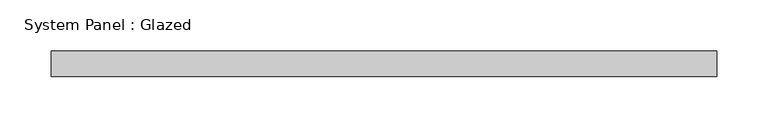
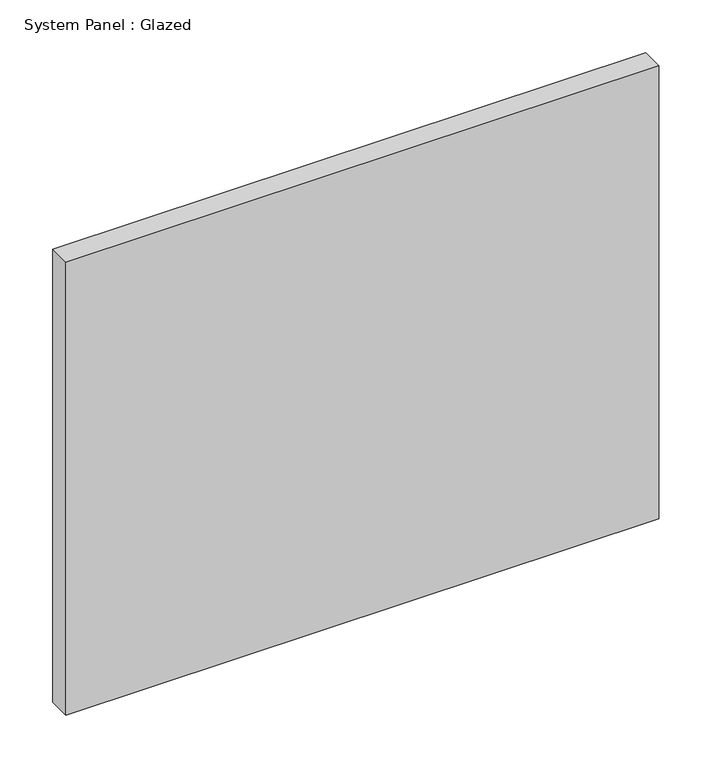
"""IFC4 building model written with IfcOpenShell, lengths in millimetres: plate geometry, System Panel : Glazed."""

from ifc_helpers import new_model, si_unit, origin, origin_with_axes, place, context, project, spatial, polyline, outline, extrude, source, transform, mapped, element, save


def system_panel_glazed_79d7361b(model_context):
    return source(origin(), model_context, "Body", "SweptSolid", [
        extrude(outline(polyline([(325.0, -49.5), (-325.0, -49.5), (-325.0, -24.5), (325.0, -24.5), (325.0, -49.5)])), origin_with_axes(), (0.0, 0.0, 1.0), 525.0),
    ])


if __name__ == "__main__":
    model = new_model("IFC4")
    model_context = context("Model", 3, world=origin())
    ifc_project = project(units=[si_unit("LENGTHUNIT", "METRE", prefix="MILLI")], contexts=[model_context])
    site = spatial("IfcSite", under=ifc_project)
    building = spatial("IfcBuilding", under=site)
    placement = place(None, origin())
    system_panel_glazed_shape = system_panel_glazed_79d7361b(model_context)
    element("IfcPlate", 1, ObjectType="System Panel : Glazed", at=placement, inside=building, context=model_context, shape_type="MappedRepresentation", body=[
        mapped(system_panel_glazed_shape, transform((0.0, 0.0, 0.0), x_axis=(1.0, 0.0, 0.0), y_axis=(0.0, 1.0, 0.0), z_axis=(0.0, 0.0, 1.0))),
    ])
    save(model, "model.ifc")
